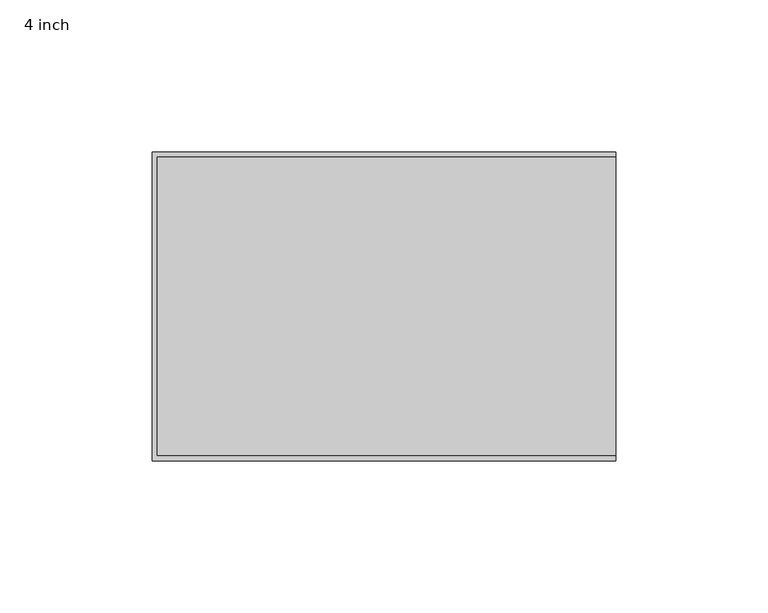
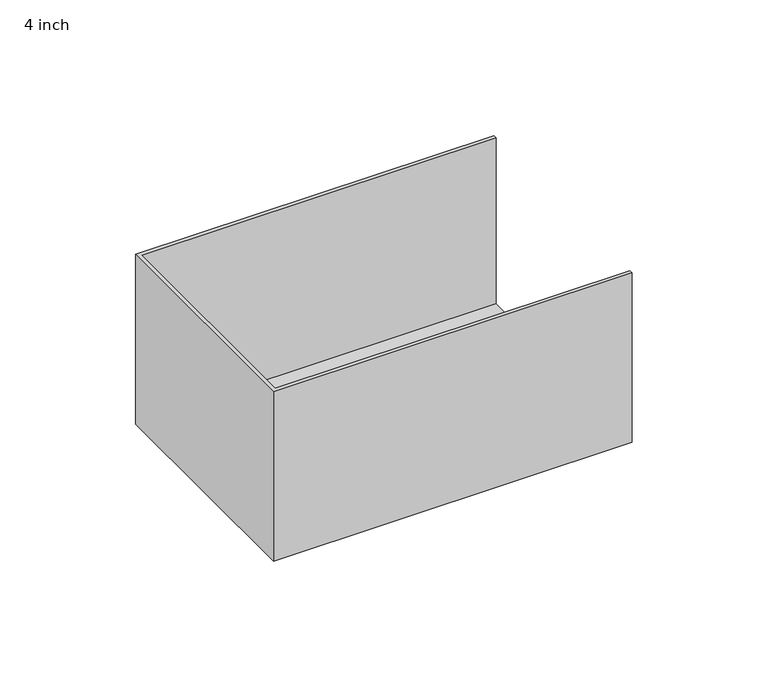
"""IFC4 building model written with IfcOpenShell, lengths in millimetres: proxy geometry, 4 inch."""

from ifc_helpers import new_model, si_unit, origin, place, context, project, spatial, faceted_brep, source, transform, mapped, element, save


def proxy_4_inch_c8550330(model_context):
    return source(origin(), model_context, "Body", "Brep", [
        faceted_brep([(152.4, 1.5875, 1.5875), (152.4, 100.0125, 1.5875), (1.5875, 100.0125, 1.5875), (1.5875, 1.5875, 1.5875), (152.4, 101.6, 0.0), (152.4, 0.0, 0.0), (0.0, 0.0, 0.0), (0.0, 101.6, 0.0), (0.0, 101.6, 76.2), (152.4, 101.6, 76.2), (0.0, 0.0, 76.2), (152.4, 0.0, 76.2), (152.4, 100.0125, 76.2), (152.4, 1.5875, 76.2), (1.5875, 1.5875, 76.2), (1.5875, 100.0125, 76.2)], [[[0, 1, 2, 3]], [[4, 5, 6, 7]], [[4, 7, 8, 9]], [[8, 7, 6, 10]], [[10, 6, 5, 11]], [[4, 9, 12, 1, 0, 13, 11, 5]], [[10, 11, 13, 14, 15, 12, 9, 8]], [[14, 13, 0, 3]], [[15, 14, 3, 2]], [[12, 15, 2, 1]]]),
    ])


if __name__ == "__main__":
    model = new_model("IFC4")
    model_context = context("Model", 3, world=origin())
    ifc_project = project(units=[si_unit("LENGTHUNIT", "METRE", prefix="MILLI")], contexts=[model_context])
    site = spatial("IfcSite", under=ifc_project)
    building = spatial("IfcBuilding", under=site)
    placement = place(None, origin())
    proxy_4_inch_shape = proxy_4_inch_c8550330(model_context)
    element("IfcBuildingElementProxy", 1, Name="4 inch", ObjectType="4 inch", at=placement, inside=building, context=model_context, shape_type="MappedRepresentation", body=[
        mapped(proxy_4_inch_shape, transform((0.0, 0.0, 0.0), x_axis=(1.0, 0.0, 0.0), y_axis=(0.0, 1.0, 0.0), z_axis=(0.0, 0.0, 1.0))),
    ])
    save(model, "model.ifc")
